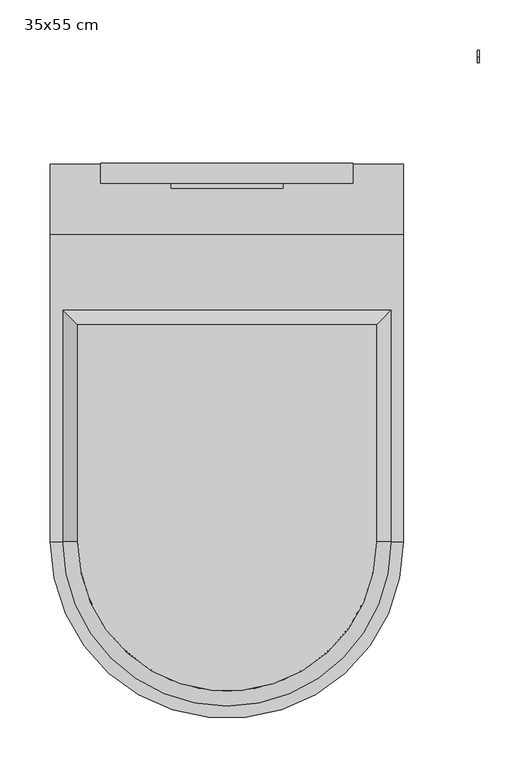
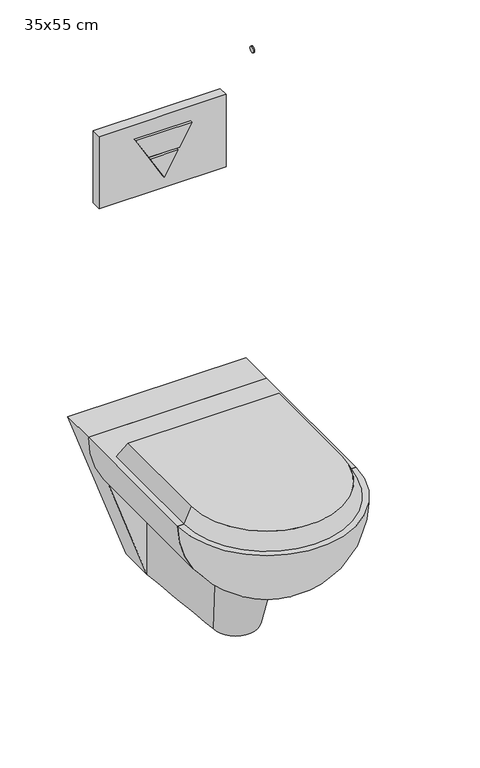
"""IFC4 building model written with IfcOpenShell, lengths in millimetres: flow terminal geometry, 35x55 cm."""

from ifc_helpers import new_model, si_unit, point, frame, frame_2d, origin, place, context, project, spatial, polyline, circle_curve, ellipse_curve, trimmed, segment, composite_curve, outline, extrude, source, transform, mapped, element, save
from ifc_brep_helpers import plane_surface, revolved_surface, spline_surface, advanced_brep


def flow_terminal_35x55_cm_ff895519(model_context):
    return source(origin(), model_context, "Body", "SolidModel", [
        extrude(outline(composite_curve([segment(trimmed(circle_curve(frame_2d((105.5, 918.0)), 6.0), [point((105.5, 912.0))], [point((105.5, 924.0))], False, "CARTESIAN"), True, "CONTINUOUS"), segment(trimmed(circle_curve(frame_2d((105.5, 918.0)), 6.0), [point((105.5, 924.0))], [point((105.5, 912.0))], False, "CARTESIAN"), True, "CONTINUOUS")], self_intersect=False)), frame((248.0, 0.0, 0.0), z_axis=(1.0, 0.0, 0.0), x_axis=(0.0, 1.0, 0.0)), (0.0, 0.0, 1.0), 2.0),
        extrude(outline(polyline([(914.0, 55.4118563), (914.0, -55.4118563), (870.4569939, -30.1873925), (870.4569939, 30.1873925), (914.0, 55.4118563)])), frame((0.0, -25.0, 0.0), z_axis=(0.0, 1.0, 0.0), x_axis=(0.0, 0.0, 1.0)), (0.0, 0.0, 1.0), 5.0),
        extrude(outline(polyline([(866.1734373, -27.7059281), (818.3468746, 0.0), (866.1734373, 27.7059281), (866.1734373, -27.7059281)])), frame((0.0, -25.0, 0.0), z_axis=(0.0, 1.0, 0.0), x_axis=(0.0, 0.0, 1.0)), (0.0, 0.0, 1.0), 5.0),
        extrude(outline(polyline([(125.0, -20.0), (-125.0, -20.0), (-125.0, 0.0), (125.0, 0.0), (125.0, -20.0)])), frame((0.0, 0.0, 794.0), z_axis=(0.0, 0.0, 1.0), x_axis=(1.0, 0.0, 0.0)), (0.0, 0.0, 1.0), 150.0),
        extrude(outline(composite_curve([segment(trimmed(circle_curve(frame_2d((368.0, 0.0)), 175.0), [point((368.0, -175.0))], [point((193.0, 0.0))], False, "CARTESIAN"), True, "CONTINUOUS"), segment(trimmed(circle_curve(frame_2d((368.0, 0.0)), 175.0), [point((193.0, 0.0))], [point((368.0, 175.0))], False, "CARTESIAN"), True, "CONTINUOUS"), segment(polyline([(368.0, 175.0), (368.0, -175.0)]), True, "CONTINUOUS")], self_intersect=False)), frame((0.0, -375.0, 0.0), z_axis=(0.0, 1.0, 0.0), x_axis=(0.0, 0.0, 1.0)), (0.0, 0.0, 1.0), 304.0),
        advanced_brep(
        [(0.0, -375.0, 193.0), (0.0, -375.0, 368.0), (175.0, -375.0, 368.0), (-175.0, -375.0, 368.0)],
        [
            (0, 1),
            (1, 2),
            (2, 0, circle_curve(frame((0.0, -375.0, 368.0), z_axis=(0.0, 1.0, 0.0), x_axis=(-1.0, 0.0, 0.0)), 175.0)),
            (0, 3, circle_curve(frame((0.0, -375.0, 368.0), z_axis=(0.0, 1.0, 0.0), x_axis=(1.0, 0.0, 0.0)), 175.0)),
            (3, 1),
            (3, 2, circle_curve(frame((0.0, -375.0, 368.0), z_axis=(0.0, 0.0, 1.0), x_axis=(1.0, 0.0, 0.0)), 175.0)),
        ],
        [
            plane_surface(frame((0.0, -375.0, 154.6737292), z_axis=(0.0, 1.0, 0.0), x_axis=(1.0, 0.0, 0.0))),
            plane_surface(frame((0.0, -375.0, 154.6737292), z_axis=(0.0, 1.0, 0.0), x_axis=(-1.0, 0.0, 0.0))),
            plane_surface(frame((0.0, -375.0, 368.0), z_axis=(0.0, 0.0, 1.0), x_axis=(1.0, 0.0, 0.0))),
            revolved_surface(trimmed(ellipse_curve(frame((0.0, -375.0, 368.0), z_axis=(0.0, 1.0, 0.0), x_axis=(-1.0, 0.0, 0.0)), 175.0, 175.0), [point((175.0, -375.0, 368.0))], [point((0.0, -375.0, 193.0))], True, "CARTESIAN"), (0.0, -375.0, 154.6737292), (0.0, 0.0, -1.0)),
        ],
        [
            (0, [[1, 2, 3]]),
            (1, [[4, 5, -1]]),
            (2, [[6, -2, -5]]),
            (3, [[-3, -6, -4]]),
        ],
    ),
        extrude(outline(composite_curve([segment(trimmed(circle_curve(frame_2d((154.0, 0.0)), 50.0), [point((154.0, -50.0))], [point((154.0, 50.0))], False, "CARTESIAN"), True, "CONTINUOUS"), segment(trimmed(circle_curve(frame_2d((154.0, 0.0)), 50.0), [point((154.0, 50.0))], [point((154.0, -50.0))], False, "CARTESIAN"), True, "CONTINUOUS")], self_intersect=False)), frame((0.0, -1.0, 0.0), z_axis=(0.0, 1.0, 0.0), x_axis=(0.0, 0.0, 1.0)), (0.0, 0.0, 1.0), 1.0),
        extrude(outline(polyline([(44.0, -60.3448276), (44.0, 60.3448276), (368.0, 175.0), (368.0, -175.0), (44.0, -60.3448276)])), frame((0.0, -71.0, 0.0), z_axis=(0.0, 1.0, 0.0), x_axis=(0.0, 0.0, 1.0)), (0.0, 0.0, 1.0), 70.0),
        advanced_brep(
        [(-148.0, -375.0, 400.0), (148.0, -375.0, 400.0), (148.0, -160.0, 400.0), (-148.0, -160.0, 400.0), (-163.0, -375.0, 368.0), (-163.0, -145.0, 368.0), (163.0, -145.0, 368.0), (163.0, -375.0, 368.0)],
        [
            (0, 1, circle_curve(frame((0.0, -375.0, 400.0), z_axis=(0.0, 0.0, 1.0), x_axis=(-1.0, 0.0, 0.0)), 148.0)),
            (1, 2),
            (2, 3),
            (3, 0),
            (4, 5),
            (5, 6),
            (6, 7),
            (7, 4, circle_curve(frame((0.0, -375.0, 368.0), z_axis=(0.0, 0.0, -1.0), x_axis=(-1.0, 0.0, 0.0)), 163.0)),
            (7, 1),
            (0, 4),
            (6, 2),
            (5, 3),
        ],
        [
            plane_surface(frame((0.0, -267.5, 400.0), z_axis=(0.0, 0.0, 1.0), x_axis=(0.0, -1.0, 0.0))),
            plane_surface(frame((0.0, -260.0, 368.0), z_axis=(0.0, 0.0, -1.0), x_axis=(0.0, -1.0, 0.0))),
            revolved_surface(polyline([(-147.99999999856212, -375.0, 400.0), (-163.0, -375.0, 368.0)]), (0.0, -375.0, 715.7333333), (0.0, 0.0, -1.0)),
            plane_surface(frame((163.0, -260.0, 368.0), z_axis=(0.9054589359588643, 0.0, 0.4244338762307286), x_axis=(0.0, 1.0, 0.0))),
            plane_surface(frame((0.0, -145.0, 368.0), z_axis=(0.0, 0.9054589359588641, 0.424433876230729), x_axis=(-1.0, 0.0, 0.0))),
            plane_surface(frame((-163.0, -260.0, 368.0), z_axis=(-0.9054589359588643, 0.0, 0.4244338762307286), x_axis=(0.0, -1.0, 0.0))),
        ],
        [
            (0, [[1, 2, 3, 4]]),
            (1, [[5, 6, 7, 8]]),
            (2, [[-8, 9, -1, 10]]),
            (3, [[-7, 11, -2, -9]]),
            (4, [[-6, 12, -3, -11]]),
            (5, [[-5, -10, -4, -12]]),
        ],
    ),
        advanced_brep(
        [(-60.3448276, -306.3218391, 225.0), (60.3448276, -306.3218391, 225.0), (60.3448276, -71.0, 225.0), (-60.3448276, -71.0, 225.0), (-43.2471264, -268.4195402, 44.0), (-60.3448276, -71.0, 44.0), (60.3448276, -71.0, 44.0), (43.2471264, -268.4195402, 44.0)],
        [
            (0, 1, circle_curve(frame((0.0, -306.3218391, 225.0), z_axis=(0.0, 0.0, 1.0), x_axis=(1.0, 0.0, 0.0)), 60.3448276)),
            (1, 2),
            (2, 3),
            (3, 0),
            (4, 5),
            (5, 6),
            (6, 7),
            (7, 4, circle_curve(frame((0.0, -268.4195402, 44.0), z_axis=(0.0, 0.0, -1.0), x_axis=(1.0, 0.0, 0.0)), 43.2471264)),
            (7, 1),
            (0, 4),
            (6, 2),
            (5, 3),
        ],
        [
            plane_surface(frame((0.0, -188.6609195, 225.0), z_axis=(0.0, 0.0, 1.0), x_axis=(0.0, -1.0, 0.0))),
            plane_surface(frame((0.0, -169.7097701, 44.0), z_axis=(0.0, 0.0, -1.0), x_axis=(0.0, -1.0, 0.0))),
            spline_surface(2, 1, [[(-43.2471264, -268.4195402, 44.0), (-60.3448276, -306.3218391, 225.0)], [(-43.2471264, -311.6666666, 44.0), (-60.3448276, -366.66666669999995, 225.0)], [(0.0, -311.6666666, 44.0), (0.0, -366.66666669999995, 225.0)], [(43.2471264, -311.6666666, 44.0), (60.3448276, -366.66666669999995, 225.0)], [(43.2471264, -268.4195402, 44.0), (60.3448276, -306.3218391, 225.0)]], [3, 2, 3], [2, 2], [0.0, 1.0, 2.0], [0.0, 1.0], weights=[[1.0, 1.0], [0.7071067811865476, 0.7071067811865476], [1.0, 1.0], [0.7071067811865476, 0.7071067811865476], [1.0, 1.0]]),
            spline_surface(1, 1, [[(43.2471264, -268.4195402, 44.0), (60.3448276, -306.3218391, 225.0)], [(60.3448276, -71.0, 44.0), (60.3448276, -71.0, 225.0)]], [2, 2], [2, 2], [0.0, 1.0], [0.0, 1.0]),
            plane_surface(frame((0.0, -71.0, 44.0), z_axis=(0.0, 1.0, 0.0), x_axis=(-1.0, 0.0, 0.0))),
            spline_surface(1, 1, [[(-60.3448276, -71.0, 44.0), (-60.3448276, -71.0, 225.0)], [(-43.2471264, -268.4195402, 44.0), (-60.3448276, -306.3218391, 225.0)]], [2, 2], [2, 2], [0.0, 1.0], [0.0, 1.0]),
        ],
        [
            (0, [[1, 2, 3, 4]]),
            (1, [[5, 6, 7, 8]]),
            (2, [[-8, 9, -1, 10]]),
            (3, [[-7, 11, -2, -9]]),
            (4, [[-6, 12, -3, -11]]),
            (5, [[-5, -10, -4, -12]]),
        ],
    ),
    ])


if __name__ == "__main__":
    model = new_model("IFC4")
    model_context = context("Model", 3, world=origin())
    ifc_project = project(units=[si_unit("LENGTHUNIT", "METRE", prefix="MILLI")], contexts=[model_context])
    site = spatial("IfcSite", under=ifc_project)
    building = spatial("IfcBuilding", under=site)
    placement = place(None, origin())
    flow_terminal_35x55_cm_shape = flow_terminal_35x55_cm_ff895519(model_context)
    element("IfcFlowTerminal", 1, ObjectType="35x55 cm", at=placement, inside=building, context=model_context, shape_type="MappedRepresentation", body=[
        mapped(flow_terminal_35x55_cm_shape, transform((0.0, 0.0, 0.0), x_axis=(1.0, 0.0, 0.0), y_axis=(0.0, 1.0, 0.0), z_axis=(0.0, 0.0, 1.0))),
    ])
    save(model, "model.ifc")
